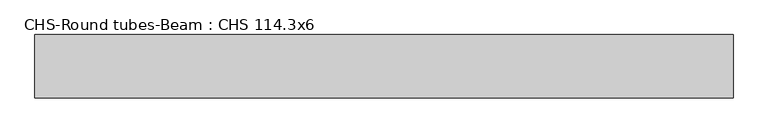
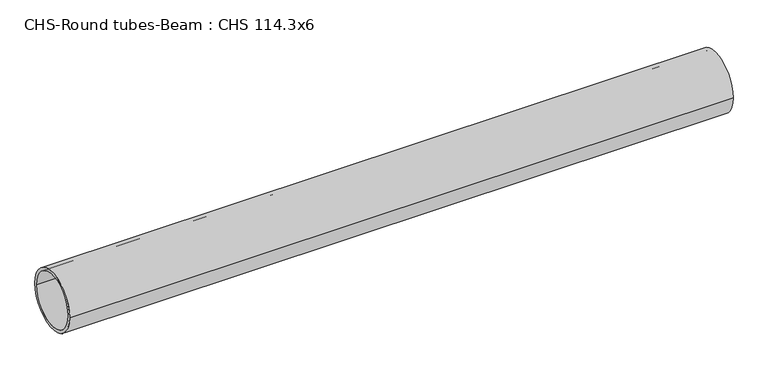
"""IFC4 building model written with IfcOpenShell, lengths in millimetres: beam geometry, CHS-Round tubes-Beam : CHS 114.3x6."""

from ifc_helpers import new_model, si_unit, point, frame, origin, origin_2d, place, context, project, spatial, circle_curve, trimmed, segment, composite_curve, outline, extrude, source, transform, mapped, element, save


def chs_round_tubes_beam_chs_114_3x6_4bdf5aa1(model_context):
    return source(origin(), model_context, "Body", "SweptSolid", [
        extrude(outline(composite_curve([segment(trimmed(circle_curve(origin_2d(), 57.15), [point((57.15, 0.0))], [point((-57.15, 0.0))], False, "CARTESIAN"), True, "CONTINUOUS"), segment(trimmed(circle_curve(origin_2d(), 57.15), [point((-57.15, 0.0))], [point((57.15, 0.0))], False, "CARTESIAN"), True, "CONTINUOUS")], self_intersect=False), holes=[composite_curve([segment(trimmed(circle_curve(origin_2d(), 51.15), [point((51.15, 0.0))], [point((-51.15, 0.0))], True, "CARTESIAN"), True, "CONTINUOUS"), segment(trimmed(circle_curve(origin_2d(), 51.15), [point((-51.15, 0.0))], [point((51.15, 0.0))], True, "CARTESIAN"), True, "CONTINUOUS")], self_intersect=False)]), frame((-638.3115493, 0.0, 0.0), z_axis=(1.0, 0.0, 0.0), x_axis=(0.0, 1.0, 0.0)), (0.0, 0.0, 1.0), 1261.6210395),
    ])


if __name__ == "__main__":
    model = new_model("IFC4")
    model_context = context("Model", 3, world=origin())
    ifc_project = project(units=[si_unit("LENGTHUNIT", "METRE", prefix="MILLI")], contexts=[model_context])
    site = spatial("IfcSite", under=ifc_project)
    building = spatial("IfcBuilding", under=site)
    placement = place(None, origin())
    chs_round_tubes_beam_chs_114_3x6_shape = chs_round_tubes_beam_chs_114_3x6_4bdf5aa1(model_context)
    element("IfcBeam", 1, ObjectType="CHS-Round tubes-Beam : CHS 114.3x6", at=placement, inside=building, context=model_context, shape_type="MappedRepresentation", body=[
        mapped(chs_round_tubes_beam_chs_114_3x6_shape, transform((0.0, 0.0, 0.0), x_axis=(1.0, 0.0, 0.0), y_axis=(0.0, 1.0, 0.0), z_axis=(0.0, 0.0, 1.0))),
    ])
    save(model, "model.ifc")
